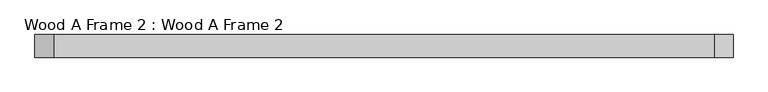
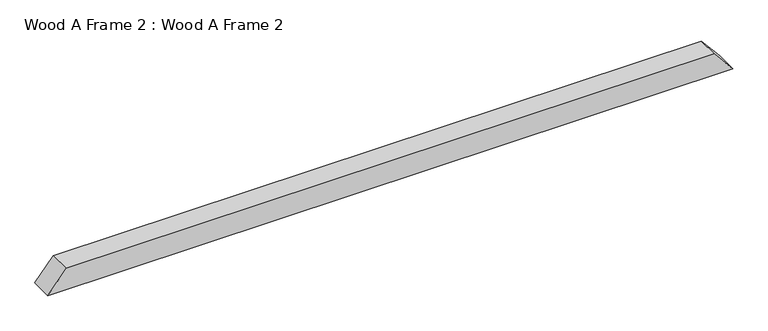
"""IFC4 building model written with IfcOpenShell, lengths in millimetres: proxy geometry, Wood A Frame 2 : Wood A Frame 2."""

from ifc_helpers import new_model, si_unit, frame, origin, place, context, project, spatial, polyline, outline, extrude, source, transform, mapped, element, save


def wood_a_frame_2_wood_a_frame_2_0198f907(model_context):
    return source(origin(), model_context, "Body", "SweptSolid", [
        extrude(outline(polyline([(571.8572288, 262029.3691076), (622.6572288, 261987.0357743), (622.6572288, 260505.8120669), (571.8572288, 260463.4787336), (571.8572288, 262029.3691076)])), frame((0.0, -112790.909309, 0.0), z_axis=(0.0, 1.0, 0.0), x_axis=(0.0, 0.0, 1.0)), (0.0, 0.0, 1.0), 50.8),
    ])


if __name__ == "__main__":
    model = new_model("IFC4")
    model_context = context("Model", 3, world=origin())
    ifc_project = project(units=[si_unit("LENGTHUNIT", "METRE", prefix="MILLI")], contexts=[model_context])
    site = spatial("IfcSite", under=ifc_project)
    building = spatial("IfcBuilding", under=site)
    placement = place(None, origin())
    wood_a_frame_2_wood_a_frame_2_shape = wood_a_frame_2_wood_a_frame_2_0198f907(model_context)
    element("IfcBuildingElementProxy", 1, Name="Wood A Frame 2 : Wood A Frame 2", ObjectType="Wood A Frame 2 : Wood A Frame 2", at=placement, inside=building, context=model_context, shape_type="MappedRepresentation", body=[
        mapped(wood_a_frame_2_wood_a_frame_2_shape, transform((0.0, 0.0, 0.0), x_axis=(1.0, 0.0, 0.0), y_axis=(0.0, 1.0, 0.0), z_axis=(0.0, 0.0, 1.0))),
    ])
    save(model, "model.ifc")
